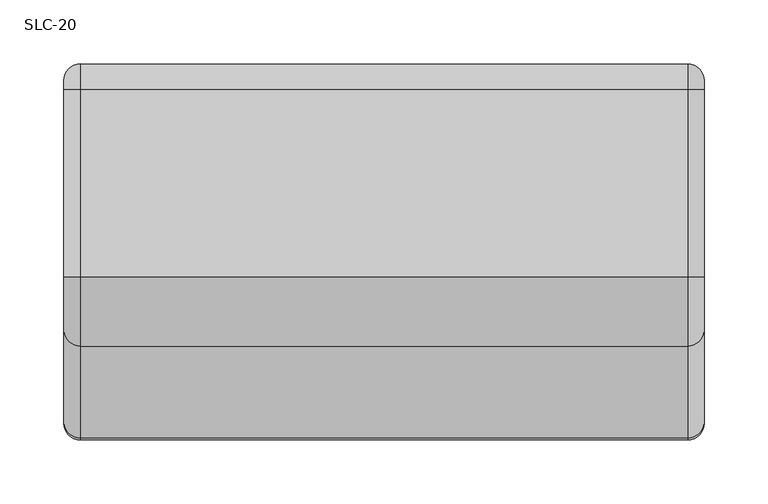
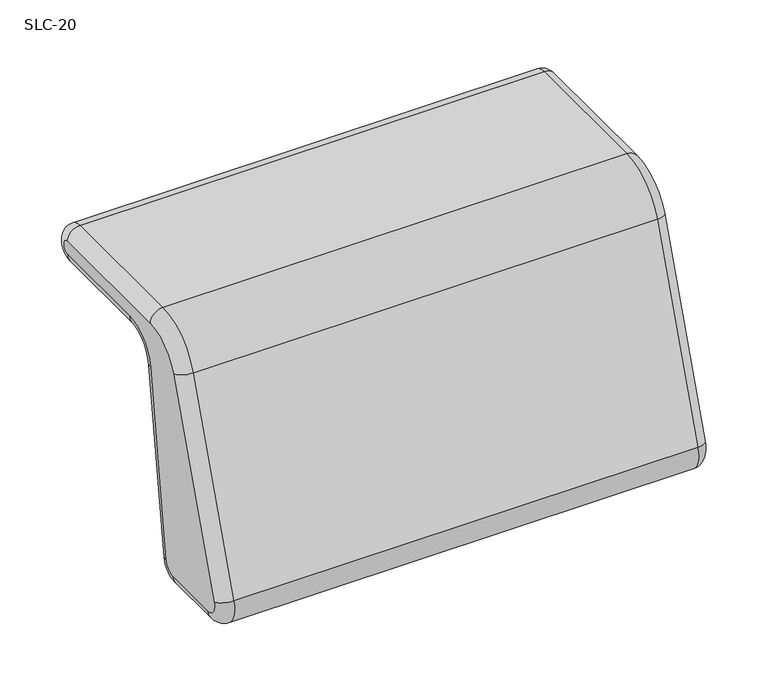
"""IFC4 building model written with IfcOpenShell, lengths in millimetres: furniture geometry, SLC-20."""

from ifc_helpers import new_model, si_unit, point, frame, origin, place, context, project, spatial, polyline, circle_curve, ellipse_curve, trimmed, source, transform, mapped, element, save
from ifc_brep_helpers import plane_surface, cylinder_surface, revolved_surface, advanced_brep


def slc_20_0019fbf1(model_context):
    return source(origin(), model_context, "Body", "AdvancedBrep", [
        advanced_brep(
        [(222.8949219, 14.8673135, 645.9354873), (235.5850085, 27.433901, 644.1693686), (235.5850085, 0.5042568, 452.5549935), (222.8949219, -12.0623307, 454.3211122), (235.5850085, -24.6485521, 430.6899902), (222.8949219, -24.6485521, 443.3800768), (235.5850085, -86.7348484, 430.6899902), (222.8949219, -86.7348484, 443.3800768), (235.5850085, -110.6779418, 464.5686858), (222.8949219, -98.7157399, 460.3326472), (235.5850085, -38.7747295, 667.6170574), (222.8949219, -26.8125276, 663.3810187), (235.5850085, 15.0972306, 705.6899923), (222.8949219, 15.0972306, 692.9999057), (235.5850085, 161.6991602, 705.6899923), (222.8949219, 161.6991602, 692.9999057), (235.5850085, 161.6991602, 665.6900356), (222.8949219, 161.6991602, 678.3801222), (235.5850085, 52.1905965, 665.6900356), (222.8949219, 52.1905965, 678.3801222), (710.5649915, -38.7747295, 667.6170574), (710.5649915, 15.0972306, 705.6899923), (710.5649915, 161.6991602, 705.6899923), (710.5649915, 161.6991602, 665.6900356), (710.5649915, 52.1905965, 665.6900356), (710.5649915, 27.433901, 644.1693686), (710.5649915, 0.5042568, 452.5549935), (710.5649915, -24.6485521, 430.6899902), (710.5649915, -86.7348484, 430.6899902), (710.5649915, -110.6779418, 464.5686858), (723.2550781, 14.8673135, 645.9354873), (723.2550781, -12.0623307, 454.3211122), (723.2550781, -24.6485521, 443.3800768), (723.2550781, -86.7348484, 443.3800768), (723.2550781, -98.7157399, 460.3326472), (723.2550781, -26.8125276, 663.3810187), (723.2550781, 15.0972306, 692.9999057), (723.2550781, 161.6991602, 692.9999057), (723.2550781, 161.6991602, 678.3801222), (723.2550781, 52.1905965, 678.3801222)],
        [
            (0, 1, circle_curve(frame((235.5850085, 14.8673135, 645.9354873), z_axis=(0.0, -0.13917310095999583, -0.9902680687415801), x_axis=(0.0, 0.9902680687415801, -0.13917310095999583)), 12.6900866)),
            (1, 2),
            (2, 3, circle_curve(frame((235.5850085, -12.0623307, 454.3211122), z_axis=(0.0, 0.13917310095999583, 0.9902680687415801), x_axis=(0.0, 0.9902680687415801, -0.13917310095999583)), 12.6900866)),
            (3, 0),
            (2, 4, circle_curve(frame((235.5850085, -24.6485521, 456.0899902), z_axis=(-1.0, 0.0, 0.0), x_axis=(0.0, 0.9902680687415799, -0.1391731009599972)), 25.4)),
            (4, 5, circle_curve(frame((235.5850085, -24.6485521, 443.3800768), z_axis=(0.0, 1.0, 0.0), x_axis=(0.0, 0.0, -1.0)), 12.6900866)),
            (5, 3, circle_curve(frame((222.8949219, -24.6485521, 456.0899902), z_axis=(1.0, 0.0, 0.0), x_axis=(0.0, 0.9902680687415799, -0.1391731009599972)), 12.7099134)),
            (4, 6),
            (6, 7, circle_curve(frame((235.5850085, -86.7348484, 443.3800768), z_axis=(0.0, 1.0, 0.0), x_axis=(0.0, 0.0, -1.0)), 12.6900866)),
            (7, 5),
            (6, 8, circle_curve(frame((235.5850085, -86.7348484, 456.0899902), z_axis=(-1.0, 0.0, 0.0), x_axis=(0.0, 0.0, -1.0)), 25.4)),
            (8, 9, circle_curve(frame((235.5850085, -98.7157399, 460.3326472), z_axis=(0.0, -0.3338069120612593, -0.942641472384982), x_axis=(0.0, -0.942641472384982, 0.3338069120612593)), 12.6900866)),
            (9, 7, circle_curve(frame((222.8949219, -86.7348484, 456.0899902), z_axis=(1.0, 0.0, 0.0), x_axis=(0.0, 0.0, -1.0)), 12.7099134)),
            (8, 10),
            (10, 11, circle_curve(frame((235.5850085, -26.8125276, 663.3810187), z_axis=(0.0, -0.33380691206126195, -0.9426414723849812), x_axis=(0.0, -0.9426414723849812, 0.33380691206126195)), 12.6900866)),
            (11, 9),
            (10, 12, circle_curve(frame((235.5850085, 15.0972306, 648.5399923), z_axis=(-1.0, 0.0, 0.0), x_axis=(0.0, -0.9426414723849806, 0.333806912061263)), 57.15)),
            (12, 13, circle_curve(frame((235.5850085, 15.0972306, 692.9999057), z_axis=(0.0, -1.0, 0.0), x_axis=(0.0, 0.0, 1.0)), 12.6900866)),
            (13, 11, circle_curve(frame((222.8949219, 15.0972306, 648.5399923), z_axis=(1.0, 0.0, 0.0), x_axis=(0.0, -0.9426414723849806, 0.333806912061263)), 44.4599134)),
            (12, 14),
            (14, 15, circle_curve(frame((235.5850085, 161.6991602, 692.9999057), z_axis=(0.0, -1.0, 0.0), x_axis=(0.0, 0.0, 1.0)), 12.6900866)),
            (15, 13),
            (14, 16, circle_curve(frame((235.5850085, 161.6991602, 685.690014), z_axis=(-1.0, 0.0, 0.0), x_axis=(0.0, 0.0, 1.0)), 19.9999784)),
            (16, 17, circle_curve(frame((235.5850085, 161.6991602, 678.3801222), z_axis=(0.0, 1.0, 0.0), x_axis=(0.0, 0.0, -1.0)), 12.6900866)),
            (17, 15, circle_curve(frame((222.8949219, 161.6991602, 685.690014), z_axis=(1.0, 0.0, 0.0), x_axis=(0.0, 0.0, 1.0)), 7.3098917)),
            (16, 18),
            (18, 19, circle_curve(frame((235.5850085, 52.1905965, 678.3801222), z_axis=(0.0, 1.0, 0.0), x_axis=(0.0, 0.0, -1.0)), 12.6900866)),
            (19, 17),
            (0, 19, circle_curve(frame((222.8949219, 52.1905965, 640.690042), z_axis=(-1.0, 0.0, 0.0), x_axis=(0.0, 0.0, 1.0)), 37.6900803)),
            (18, 1, circle_curve(frame((235.5850085, 52.1905965, 640.690042), z_axis=(1.0, 0.0, 0.0), x_axis=(0.0, 0.0, 1.0)), 24.9999937)),
            (10, 20),
            (20, 21, circle_curve(frame((710.5649915, 15.0972306, 648.5399923), z_axis=(-1.0, 0.0, 0.0), x_axis=(0.0, 0.0, 1.0)), 57.15)),
            (21, 12),
            (21, 22),
            (22, 14),
            (22, 23, circle_curve(frame((710.5649915, 161.6991602, 685.690014), z_axis=(-1.0, 0.0, 0.0), x_axis=(0.0, 0.0, 1.0)), 19.9999784)),
            (23, 16),
            (23, 24),
            (24, 18),
            (24, 25, circle_curve(frame((710.5649915, 52.1905965, 640.690042), z_axis=(1.0, 0.0, 0.0), x_axis=(0.0, 0.0, 1.0)), 24.9999937)),
            (25, 1),
            (25, 26),
            (26, 2),
            (26, 27, circle_curve(frame((710.5649915, -24.6485521, 456.0899902), z_axis=(-1.0, 0.0, 0.0), x_axis=(0.0, 0.0, 1.0)), 25.4)),
            (27, 4),
            (27, 28),
            (28, 6),
            (28, 29, circle_curve(frame((710.5649915, -86.7348484, 456.0899902), z_axis=(-1.0, 0.0, 0.0), x_axis=(0.0, 0.0, 1.0)), 25.4)),
            (29, 8),
            (29, 20),
            (25, 30, circle_curve(frame((710.5649915, 14.8673135, 645.9354873), z_axis=(0.0, -0.13917310095999588, -0.9902680687415801), x_axis=(0.0, -0.9902680687415801, 0.13917310095999588)), 12.6900866)),
            (30, 31),
            (31, 26, circle_curve(frame((710.5649915, -12.0623307, 454.3211122), z_axis=(0.0, 0.13917310095999588, 0.9902680687415801), x_axis=(0.0, -0.9902680687415801, 0.13917310095999588)), 12.6900866)),
            (31, 32, circle_curve(frame((723.2550781, -24.6485521, 456.0899902), z_axis=(-1.0, 0.0, 0.0), x_axis=(0.0, 0.9902680687415799, -0.1391731009599972)), 12.7099134)),
            (32, 27, circle_curve(frame((710.5649915, -24.6485521, 443.3800768), z_axis=(0.0, 1.0, 0.0), x_axis=(0.0, 0.0, 1.0)), 12.6900866)),
            (32, 33),
            (33, 28, circle_curve(frame((710.5649915, -86.7348484, 443.3800768), z_axis=(0.0, 1.0, 0.0), x_axis=(0.0, 0.0, 1.0)), 12.6900866)),
            (33, 34, circle_curve(frame((723.2550781, -86.7348484, 456.0899902), z_axis=(-1.0, 0.0, 0.0), x_axis=(0.0, 0.0, -1.0)), 12.7099134)),
            (34, 29, circle_curve(frame((710.5649915, -98.7157399, 460.3326472), z_axis=(0.0, -0.3338069120612629, -0.9426414723849806), x_axis=(0.0, 0.9426414723849806, -0.3338069120612629)), 12.6900866)),
            (34, 35),
            (35, 20, circle_curve(frame((710.5649915, -26.8125276, 663.3810187), z_axis=(0.0, -0.333806912061262, -0.9426414723849812), x_axis=(0.0, 0.9426414723849812, -0.333806912061262)), 12.6900866)),
            (35, 36, circle_curve(frame((723.2550781, 15.0972306, 648.5399923), z_axis=(-1.0, 0.0, 0.0), x_axis=(0.0, -0.9426414723849806, 0.333806912061263)), 44.4599134)),
            (36, 21, circle_curve(frame((710.5649915, 15.0972306, 692.9999057), z_axis=(0.0, -1.0, 0.0), x_axis=(0.0, 0.0, -1.0)), 12.6900866)),
            (36, 37),
            (37, 22, circle_curve(frame((710.5649915, 161.6991602, 692.9999057), z_axis=(0.0, -1.0, 0.0), x_axis=(0.0, 0.0, -1.0)), 12.6900866)),
            (37, 38, circle_curve(frame((723.2550781, 161.6991602, 685.690014), z_axis=(-1.0, 0.0, 0.0), x_axis=(0.0, 0.0, 1.0)), 7.3098917)),
            (38, 23, circle_curve(frame((710.5649915, 161.6991602, 678.3801222), z_axis=(0.0, 1.0, 0.0), x_axis=(0.0, 0.0, 1.0)), 12.6900866)),
            (38, 39),
            (39, 24, circle_curve(frame((710.5649915, 52.1905965, 678.3801222), z_axis=(0.0, 1.0, 0.0), x_axis=(0.0, 0.0, 1.0)), 12.6900866)),
            (39, 30, circle_curve(frame((723.2550781, 52.1905965, 640.690042), z_axis=(1.0, 0.0, 0.0), x_axis=(0.0, 0.0, 1.0)), 37.6900803)),
        ],
        [
            cylinder_surface(frame((235.5850085, 14.8673135, 645.9354873), z_axis=(0.0, 0.13917310095999583, 0.9902680687415801), x_axis=(0.0, 0.9902680687415801, -0.13917310095999583)), 12.6900866),
            revolved_surface(trimmed(ellipse_curve(frame((235.5850085, -12.0623307, 454.3211122), z_axis=(0.0, 0.1391731009599973, 0.9902680687415799), x_axis=(0.0, 0.9902680687415799, -0.1391731009599973)), 12.6900866, 12.6900866), [point((235.5850085, 0.5042568, 452.5549935))], [point((222.8949219, -12.0623307, 454.3211122))], True, "CARTESIAN"), (235.5949219, -24.6485521, 456.0899902), (-1.0, 0.0, 0.0)),
            cylinder_surface(frame((235.5850085, -24.6485521, 443.3800768), z_axis=(0.0, 1.0, 0.0), x_axis=(0.0, 0.0, -1.0)), 12.6900866),
            revolved_surface(trimmed(ellipse_curve(frame((235.5850085, -86.7348484, 443.3800768), z_axis=(0.0, 1.0, 0.0), x_axis=(0.0, 0.0, -1.0)), 12.6900866, 12.6900866), [point((235.5850085, -86.7348484, 430.6899902))], [point((222.8949219, -86.7348484, 443.3800768))], True, "CARTESIAN"), (235.5949219, -86.7348484, 456.0899902), (-1.0, 0.0, 0.0)),
            cylinder_surface(frame((235.5850085, -98.7157399, 460.3326472), z_axis=(0.0, -0.33380691206126195, -0.9426414723849812), x_axis=(0.0, -0.9426414723849812, 0.33380691206126195)), 12.6900866),
            revolved_surface(trimmed(ellipse_curve(frame((235.5850085, -26.8125276, 663.3810187), z_axis=(0.0, -0.3338069120612631, -0.9426414723849806), x_axis=(0.0, -0.9426414723849806, 0.3338069120612631)), 12.6900866, 12.6900866), [point((235.5850085, -38.7747295, 667.6170574))], [point((222.8949219, -26.8125276, 663.3810187))], True, "CARTESIAN"), (235.5949219, 15.0972306, 648.5399923), (-1.0, 0.0, 0.0)),
            cylinder_surface(frame((235.5850085, 15.0972306, 692.9999057), z_axis=(0.0, -1.0, 0.0), x_axis=(0.0, 0.0, 1.0)), 12.6900866),
            revolved_surface(trimmed(ellipse_curve(frame((235.5850085, 161.6991602, 692.9999057), z_axis=(0.0, -1.0, 0.0), x_axis=(0.0, 0.0, 1.0)), 12.6900866, 12.6900866), [point((235.5850085, 161.6991602, 705.6899923))], [point((222.8949219, 161.6991602, 692.9999057))], True, "CARTESIAN"), (235.5949219, 161.6991602, 685.690014), (-1.0, 0.0, 0.0)),
            cylinder_surface(frame((235.5850085, 161.6991602, 678.3801222), z_axis=(0.0, 1.0, 0.0), x_axis=(0.0, 0.0, -1.0)), 12.6900866),
            revolved_surface(trimmed(ellipse_curve(frame((235.5850085, 52.1905965, 678.3801222), z_axis=(0.0, 1.0, 0.0), x_axis=(0.0, 0.0, -1.0)), 12.6900866, 12.6900866), [point((235.5850085, 52.1905965, 665.6900356))], [point((222.8949219, 52.1905965, 678.3801222))], True, "CARTESIAN"), (235.5949219, 52.1905965, 640.690042), (1.0, 0.0, 0.0)),
            cylinder_surface(frame((710.5649915, 15.0972306, 648.5399923), z_axis=(-1.0, 0.0, 0.0), x_axis=(0.0, 0.0, 1.0)), 57.15),
            plane_surface(frame((235.5850085, 15.0972306, 705.6899923), z_axis=(0.0, 0.0, 1.0), x_axis=(1.0, 0.0, 0.0))),
            cylinder_surface(frame((710.5649915, 161.6991602, 685.690014), z_axis=(-1.0, 0.0, 0.0), x_axis=(0.0, 0.0, 1.0)), 19.9999784),
            plane_surface(frame((235.5850085, 161.6991602, 665.6900356), z_axis=(0.0, 0.0, -1.0), x_axis=(1.0, 0.0, 0.0))),
            revolved_surface(polyline([(710.5649915, 52.1905965, 665.6900357), (235.58500849999996, 52.1905965, 665.6900357)]), (710.5649915, 52.1905965, 640.690042), (1.0, 0.0, 0.0)),
            plane_surface(frame((235.5850085, 27.433901, 644.1693686), z_axis=(0.0, 0.9902680687415801, -0.13917310095999566), x_axis=(1.0, 0.0, 0.0))),
            cylinder_surface(frame((710.5649915, -24.6485521, 456.0899902), z_axis=(-1.0, 0.0, 0.0), x_axis=(0.0, 0.0, 1.0)), 25.4),
            plane_surface(frame((235.5850085, -24.6485521, 430.6899902), z_axis=(0.0, 0.0, -1.0), x_axis=(1.0, 0.0, 0.0))),
            cylinder_surface(frame((710.5649915, -86.7348484, 456.0899902), z_axis=(-1.0, 0.0, 0.0), x_axis=(0.0, 0.0, 1.0)), 25.4),
            plane_surface(frame((235.5850085, -110.6779418, 464.5686858), z_axis=(0.0, -0.9426414723849811, 0.33380691206126184), x_axis=(1.0, 0.0, 0.0))),
            cylinder_surface(frame((710.5649915, 14.8673135, 645.9354873), z_axis=(0.0, 0.13917310095999588, 0.9902680687415801), x_axis=(0.0, -0.9902680687415801, 0.13917310095999588)), 12.6900866),
            revolved_surface(trimmed(ellipse_curve(frame((710.5649915, -12.0623307, 454.3211122), z_axis=(0.0, 0.13917310095999735, 0.9902680687415799), x_axis=(0.0, -0.9902680687415799, 0.13917310095999735)), 12.6900866, 12.6900866), [point((723.2550781, -12.0623307, 454.3211122))], [point((710.5649915, 0.5042568, 452.5549935))], True, "CARTESIAN"), (710.5550781, -24.6485521, 456.0899902), (-1.0, 0.0, 0.0)),
            cylinder_surface(frame((710.5649915, -24.6485521, 443.3800768), z_axis=(0.0, 1.0, 0.0), x_axis=(0.0, 0.0, 1.0)), 12.6900866),
            revolved_surface(trimmed(ellipse_curve(frame((710.5649915, -86.7348484, 443.3800768), z_axis=(0.0, 1.0, 0.0), x_axis=(0.0, 0.0, 1.0)), 12.6900866, 12.6900866), [point((723.2550781, -86.7348484, 443.3800768))], [point((710.5649915, -86.7348484, 430.6899902))], True, "CARTESIAN"), (710.5550781, -86.7348484, 456.0899902), (-1.0, 0.0, 0.0)),
            cylinder_surface(frame((710.5649915, -98.7157399, 460.3326472), z_axis=(0.0, -0.333806912061262, -0.9426414723849812), x_axis=(0.0, 0.9426414723849812, -0.333806912061262)), 12.6900866),
            revolved_surface(trimmed(ellipse_curve(frame((710.5649915, -26.8125276, 663.3810187), z_axis=(0.0, -0.3338069120612632, -0.9426414723849805), x_axis=(0.0, 0.9426414723849805, -0.3338069120612632)), 12.6900866, 12.6900866), [point((723.2550781, -26.8125276, 663.3810187))], [point((710.5649915, -38.7747295, 667.6170574))], True, "CARTESIAN"), (710.5550781, 15.0972306, 648.5399923), (-1.0, 0.0, 0.0)),
            cylinder_surface(frame((710.5649915, 15.0972306, 692.9999057), z_axis=(0.0, -1.0, 0.0), x_axis=(0.0, 0.0, -1.0)), 12.6900866),
            revolved_surface(trimmed(ellipse_curve(frame((710.5649915, 161.6991602, 692.9999057), z_axis=(0.0, -1.0, 0.0), x_axis=(0.0, 0.0, -1.0)), 12.6900866, 12.6900866), [point((723.2550781, 161.6991602, 692.9999057))], [point((710.5649915, 161.6991602, 705.6899923))], True, "CARTESIAN"), (710.5550781, 161.6991602, 685.690014), (-1.0, 0.0, 0.0)),
            cylinder_surface(frame((710.5649915, 161.6991602, 678.3801222), z_axis=(0.0, 1.0, 0.0), x_axis=(0.0, 0.0, 1.0)), 12.6900866),
            revolved_surface(trimmed(ellipse_curve(frame((710.5649915, 52.1905965, 678.3801222), z_axis=(0.0, 1.0, 0.0), x_axis=(0.0, 0.0, 1.0)), 12.6900866, 12.6900866), [point((723.2550781, 52.1905965, 678.3801222))], [point((710.5649915, 52.1905965, 665.6900356))], True, "CARTESIAN"), (710.5550781, 52.1905965, 640.690042), (1.0, 0.0, 0.0)),
            plane_surface(frame((723.2550781, 161.6991602, 692.9999057), z_axis=(1.0, 0.0, 0.0), x_axis=(0.0, -1.0, 0.0))),
            plane_surface(frame((222.8949219, -24.6485521, 443.3800768), z_axis=(-1.0, 0.0, 0.0), x_axis=(0.0, -1.0, 0.0))),
        ],
        [
            (0, [[1, 2, 3, 4]]),
            (1, [[-3, 5, 6, 7]]),
            (2, [[-6, 8, 9, 10]]),
            (3, [[-9, 11, 12, 13]]),
            (4, [[-12, 14, 15, 16]]),
            (5, [[-15, 17, 18, 19]]),
            (6, [[-18, 20, 21, 22]]),
            (7, [[-21, 23, 24, 25]]),
            (8, [[-24, 26, 27, 28]]),
            (9, [[-1, 29, -27, 30]]),
            (10, [[31, 32, 33, -17]]),
            (11, [[-33, 34, 35, -20]]),
            (12, [[-35, 36, 37, -23]]),
            (13, [[-37, 38, 39, -26]]),
            (14, [[-39, 40, 41, -30]]),
            (15, [[-41, 42, 43, -2]]),
            (16, [[-43, 44, 45, -5]]),
            (17, [[-45, 46, 47, -8]]),
            (18, [[-47, 48, 49, -11]]),
            (19, [[-31, -14, -49, 50]]),
            (20, [[51, 52, 53, -42]]),
            (21, [[-53, 54, 55, -44]]),
            (22, [[-55, 56, 57, -46]]),
            (23, [[-57, 58, 59, -48]]),
            (24, [[-59, 60, 61, -50]]),
            (25, [[-61, 62, 63, -32]]),
            (26, [[-63, 64, 65, -34]]),
            (27, [[-65, 66, 67, -36]]),
            (28, [[-67, 68, 69, -38]]),
            (29, [[-51, -40, -69, 70]]),
            (30, [[-52, -70, -68, -66, -64, -62, -60, -58, -56, -54]]),
            (31, [[-4, -7, -10, -13, -16, -19, -22, -25, -28, -29]]),
        ],
    ),
    ])


if __name__ == "__main__":
    model = new_model("IFC4")
    model_context = context("Model", 3, world=origin())
    ifc_project = project(units=[si_unit("LENGTHUNIT", "METRE", prefix="MILLI")], contexts=[model_context])
    site = spatial("IfcSite", under=ifc_project)
    building = spatial("IfcBuilding", under=site)
    placement = place(None, origin())
    slc_20_shape = slc_20_0019fbf1(model_context)
    element("IfcFurniture", 1, ObjectType="SLC-20", at=placement, inside=building, context=model_context, shape_type="MappedRepresentation", body=[
        mapped(slc_20_shape, transform((0.0, 0.0, 0.0), x_axis=(1.0, 0.0, 0.0), y_axis=(0.0, 1.0, 0.0), z_axis=(0.0, 0.0, 1.0))),
    ])
    save(model, "model.ifc")
